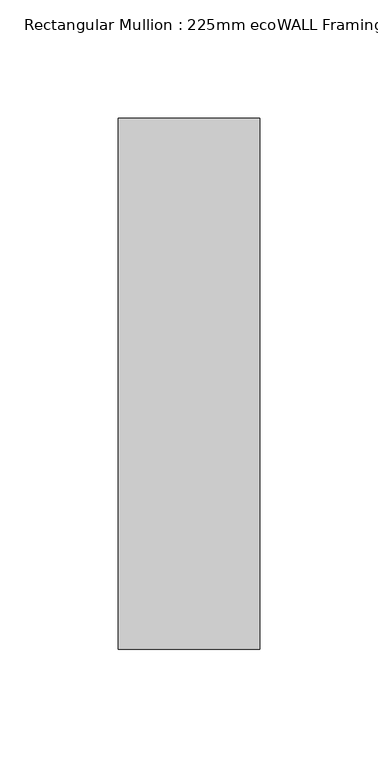
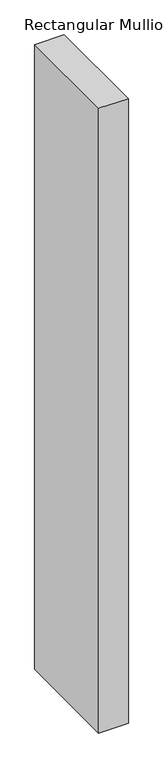
"""IFC4 building model written with IfcOpenShell, lengths in millimetres: member geometry, Rectangular Mullion : 225mm ecoWALL Framing."""

import ifcopenshell
import ifcopenshell.guid

model = None  # the IFC model being written
_history = None  # IfcOwnerHistory: only IFC2X3 demands one
_inside = {}  # id of a spatial element -> (the spatial element, [elements in it])
_under = {}  # id of a project, library or spatial element -> (it, [spatial elements below it])
_declared = {}  # id of a project -> (the project, [libraries it declares])
_typed = {}  # id of a type object -> (the type object, [elements of that type])
_made_of = {}  # id of a material, layer set ... -> (it, [elements and type objects made of it])


def new_model(schema):
    """Start an empty IFC model of exactly this schema.

    Asked for "IFC4X3", IfcOpenShell would pick the latest addendum, in which some entities
    have other attributes; the version numbers below select the first issue.
    IFC2X3 requires an IfcOwnerHistory on every rooted entity: one is made here for all.
    """
    global model, _history
    if schema == "IFC4X3":
        model = ifcopenshell.file(schema_version=(4, 3, 0, 0))
    else:
        model = ifcopenshell.file(schema=schema)
    _inside.clear()
    _under.clear()
    _declared.clear()
    _typed.clear()
    _made_of.clear()
    _history = None
    if model.schema == "IFC2X3":
        org = make("IfcOrganization", Name="unknown")
        user = make(
            "IfcPersonAndOrganization",
            ThePerson=make("IfcPerson", FamilyName="unknown"),
            TheOrganization=org,
        )
        app = make(
            "IfcApplication",
            ApplicationDeveloper=org,
            Version="unknown",
            ApplicationFullName="unknown",
            ApplicationIdentifier="unknown",
        )
        _history = make(
            "IfcOwnerHistory",
            OwningUser=user,
            OwningApplication=app,
            ChangeAction="ADDED",
            CreationDate=0,
        )
    return model


def make(cls, **values):
    """One entity of the class cls with the attributes given. An attribute that is None is left unset."""
    return model.create_entity(
        cls, **{name: value for name, value in values.items() if value is not None}
    )


def rooted(cls, **values):
    """An entity with a GlobalId (a new one), such as an element, a storey or a relation."""
    return make(cls, GlobalId=ifcopenshell.guid.new(), OwnerHistory=_history, **values)


def si_unit(unit_type, name, prefix=None):
    """IfcSIUnit, for example si_unit("LENGTHUNIT", "METRE", prefix="MILLI")."""
    return make("IfcSIUnit", UnitType=unit_type, Prefix=prefix, Name=name)


def assignment(units):
    """IfcUnitAssignment: the units of a project."""
    return None if units is None else make("IfcUnitAssignment", Units=units)


def point(xyz):
    """IfcCartesianPoint."""
    return None if xyz is None else make("IfcCartesianPoint", Coordinates=xyz)


def direction(xyz):
    """IfcDirection."""
    return None if xyz is None else make("IfcDirection", DirectionRatios=xyz)


def frame(location, z_axis=None, x_axis=None):
    """IfcAxis2Placement3D, a coordinate frame: its origin and axes. An axis left out is left unset."""
    return make(
        "IfcAxis2Placement3D",
        Location=point(location),
        Axis=direction(z_axis),
        RefDirection=direction(x_axis),
    )


def origin():
    """The frame at (0, 0, 0) with its axes left unset."""
    return frame((0.0, 0.0, 0.0))


def place(relative_to, where):
    """IfcLocalPlacement: puts the frame where relative to a parent placement (None: the world)."""
    return make(
        "IfcLocalPlacement", PlacementRelTo=relative_to, RelativePlacement=where
    )


def context(
    kind, dimensions, precision=None, world=None, true_north=None, identifier=None
):
    """IfcGeometricRepresentationContext, for example the 3D "Model" context."""
    return make(
        "IfcGeometricRepresentationContext",
        ContextIdentifier=identifier,
        ContextType=kind,
        CoordinateSpaceDimension=dimensions,
        Precision=precision,
        WorldCoordinateSystem=world,
        TrueNorth=true_north,
    )


def project(units=None, contexts=None):
    """IfcProject with its units and contexts."""
    return rooted(
        "IfcProject",
        Name="project",
        RepresentationContexts=contexts,
        UnitsInContext=assignment(units),
    )


def spatial(cls, under=None, at=None, **own):
    """A site, building, storey or space (cls), placed at a placement, below another one or the project."""
    s = rooted(cls, ObjectPlacement=at, **own)
    if under is not None:
        _under.setdefault(under.id(), (under, []))[1].append(s)
    return s


def polyline(points):
    """IfcPolyline through the points."""
    return make("IfcPolyline", Points=[point(p) for p in points])


def outline(outer, holes=None, kind="AREA"):
    """IfcArbitraryClosedProfileDef: a profile drawn as a closed curve; with holes, ...WithVoids."""
    if holes is None:
        return make("IfcArbitraryClosedProfileDef", ProfileType=kind, OuterCurve=outer)
    return make(
        "IfcArbitraryProfileDefWithVoids",
        ProfileType=kind,
        OuterCurve=outer,
        InnerCurves=holes,
    )


def extrude(swept, where, along, depth):
    """IfcExtrudedAreaSolid: the profile swept, set in the frame where, extruded along a direction by depth."""
    return make(
        "IfcExtrudedAreaSolid",
        SweptArea=swept,
        Position=where,
        ExtrudedDirection=direction(along),
        Depth=depth,
    )


def shape(context_of_items, identifier, shape_type, items):
    """IfcShapeRepresentation: the items that make up one representation, for example the "Body"."""
    return make(
        "IfcShapeRepresentation",
        ContextOfItems=context_of_items,
        RepresentationIdentifier=identifier,
        RepresentationType=shape_type,
        Items=items,
    )


def source(mapping_origin, context_of_items, identifier, shape_type, items):
    """IfcRepresentationMap: a shape defined once, which mapped items show again and again."""
    return make(
        "IfcRepresentationMap",
        MappingOrigin=mapping_origin,
        MappedRepresentation=shape(context_of_items, identifier, shape_type, items),
    )


def transform(
    local_origin,
    x_axis=None,
    y_axis=None,
    z_axis=None,
    scale=None,
    scale2=None,
    scale3=None,
    uniform=True,
):
    """IfcCartesianTransformationOperator3D, or its non-uniform kind. x_axis, y_axis, z_axis: its Axis1, 2, 3."""
    if uniform:
        return make(
            "IfcCartesianTransformationOperator3D",
            Axis1=direction(x_axis),
            Axis2=direction(y_axis),
            LocalOrigin=point(local_origin),
            Scale=scale,
            Axis3=direction(z_axis),
        )
    return make(
        "IfcCartesianTransformationOperator3DnonUniform",
        Axis1=direction(x_axis),
        Axis2=direction(y_axis),
        LocalOrigin=point(local_origin),
        Scale=scale,
        Axis3=direction(z_axis),
        Scale2=scale2,
        Scale3=scale3,
    )


def mapped(mapping_source, mapping_target):
    """IfcMappedItem: shows the shape of a source again, moved by a transform."""
    return make(
        "IfcMappedItem", MappingSource=mapping_source, MappingTarget=mapping_target
    )


def made_of(thing, what):
    """Note that an element or type object is made of a material, layer set ...; save() writes the relation."""
    if what is not None:
        _made_of.setdefault(what.id(), (what, []))[1].append(thing)
    return thing


def element(
    cls,
    number,
    at=None,
    inside=None,
    cuts=None,
    type_object=None,
    material=None,
    context=None,
    identifier="Body",
    shape_type=None,
    held_by="IfcProductDefinitionShape",
    body=None,
    shapes=None,
    **own,
):
    """One element of the class cls, such as IfcWall. Its Tag is "e" and its number.

    at: its placement. inside: the storey or other place that contains it. cuts: it is an
    opening in that element (IfcRelVoidsElement). A single representation is given by context,
    identifier, shape_type and body (its items); several are given by shapes. held_by: the class
    of the entity that holds the representations. save() writes the other relations.
    """
    e = rooted(cls, Tag="e%d" % number, ObjectPlacement=at, **own)
    if body is not None:
        shapes = [shape(context, identifier, shape_type, body)]
    if shapes is not None:
        e.Representation = make(held_by, Representations=shapes)
    if inside is not None:
        _inside.setdefault(inside.id(), (inside, []))[1].append(e)
    if cuts is not None:
        rooted(
            "IfcRelVoidsElement", RelatingBuildingElement=cuts, RelatedOpeningElement=e
        )
    if type_object is not None:
        _typed.setdefault(type_object.id(), (type_object, []))[1].append(e)
    return made_of(e, material)


def aggregate(whole, parts):
    """IfcRelAggregates: a whole, such as a stair, and the parts it consists of."""
    return rooted("IfcRelAggregates", RelatingObject=whole, RelatedObjects=parts)


def save(model, path):
    """Write the relations noted so far, then the file.

    IfcRelAggregates (storeys below a building ...), IfcRelContainedInSpatialStructure (elements
    in a storey), IfcRelDefinesByType, IfcRelAssociatesMaterial and IfcRelDeclares: one each for
    every whole, place, type object, material and project.
    """
    for whole, parts in _under.values():
        aggregate(whole, parts)
    for where, things in _inside.values():
        rooted(
            "IfcRelContainedInSpatialStructure",
            RelatedElements=things,
            RelatingStructure=where,
        )
    for kind, things in _typed.values():
        rooted("IfcRelDefinesByType", RelatedObjects=things, RelatingType=kind)
    for what, things in _made_of.values():
        rooted("IfcRelAssociatesMaterial", RelatedObjects=things, RelatingMaterial=what)
    for by, libraries in _declared.values():
        rooted("IfcRelDeclares", RelatingContext=by, RelatedDefinitions=libraries)
    model.write(path)


def rectangular_mullion_225mm_ecowall_framing_582d4e46(model_context):
    return source(origin(), model_context, "Body", "SweptSolid", [
        extrude(outline(polyline([(0.0, 112.5), (0.0, -112.5), (-60.0, -112.5), (-60.0, 112.5), (0.0, 112.5)])), frame((0.0, 0.0, -1340.0), z_axis=(0.0, 0.0, 1.0), x_axis=(1.0, 0.0, 0.0)), (0.0, 0.0, 1.0), 1340.0),
    ])


if __name__ == "__main__":
    model = new_model("IFC4")
    model_context = context("Model", 3, world=origin())
    ifc_project = project(units=[si_unit("LENGTHUNIT", "METRE", prefix="MILLI")], contexts=[model_context])
    site = spatial("IfcSite", under=ifc_project)
    building = spatial("IfcBuilding", under=site)
    placement = place(None, origin())
    rectangular_mullion_225mm_ecowall_framing_shape = rectangular_mullion_225mm_ecowall_framing_582d4e46(model_context)
    element("IfcMember", 1, ObjectType="Rectangular Mullion : 225mm ecoWALL Framing", at=placement, inside=building, context=model_context, shape_type="MappedRepresentation", body=[
        mapped(rectangular_mullion_225mm_ecowall_framing_shape, transform((0.0, 0.0, 0.0), x_axis=(1.0, 0.0, 0.0), y_axis=(0.0, 1.0, 0.0), z_axis=(0.0, 0.0, 1.0))),
    ])
    save(model, "model.ifc")
